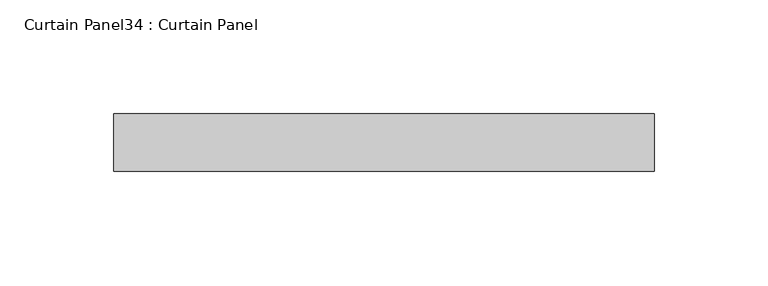
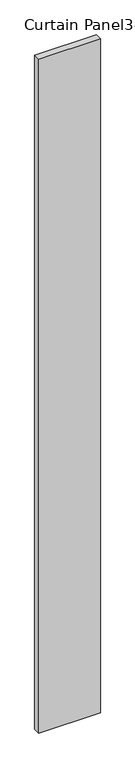
"""IFC4 building model written with IfcOpenShell, lengths in millimetres: plate geometry, Curtain Panel34 : Curtain Panel."""

from ifc_helpers import new_model, si_unit, frame, origin, place, context, project, spatial, polyline, outline, extrude, source, transform, mapped, element, save


def curtain_panel34_curtain_panel_7e61a41e(model_context):
    return source(origin(), model_context, "Body", "SweptSolid", [
        extrude(outline(polyline([(81375.2495176, 2634.9365086), (81137.1246308, 2634.9365086), (81137.1246308, 2660.3365086), (81375.2495176, 2660.3365086), (81375.2495176, 2634.9365086)])), frame((0.0, 0.0, -687.1377978), z_axis=(0.0, 0.0, 1.0), x_axis=(1.0, 0.0, 0.0)), (0.0, 0.0, 1.0), 2743.2),
    ])


if __name__ == "__main__":
    model = new_model("IFC4")
    model_context = context("Model", 3, world=origin())
    ifc_project = project(units=[si_unit("LENGTHUNIT", "METRE", prefix="MILLI")], contexts=[model_context])
    site = spatial("IfcSite", under=ifc_project)
    building = spatial("IfcBuilding", under=site)
    placement = place(None, origin())
    curtain_panel34_curtain_panel_shape = curtain_panel34_curtain_panel_7e61a41e(model_context)
    element("IfcPlate", 1, ObjectType="Curtain Panel34 : Curtain Panel", at=placement, inside=building, context=model_context, shape_type="MappedRepresentation", body=[
        mapped(curtain_panel34_curtain_panel_shape, transform((0.0, 0.0, 0.0), x_axis=(1.0, 0.0, 0.0), y_axis=(0.0, 1.0, 0.0), z_axis=(0.0, 0.0, 1.0))),
    ])
    save(model, "model.ifc")
